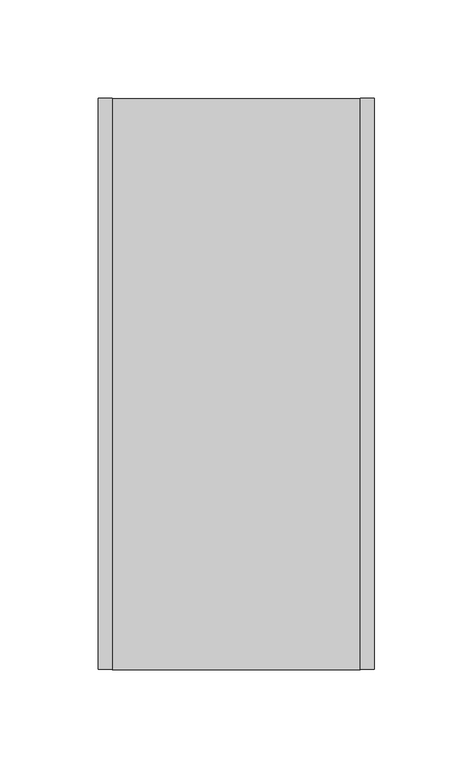
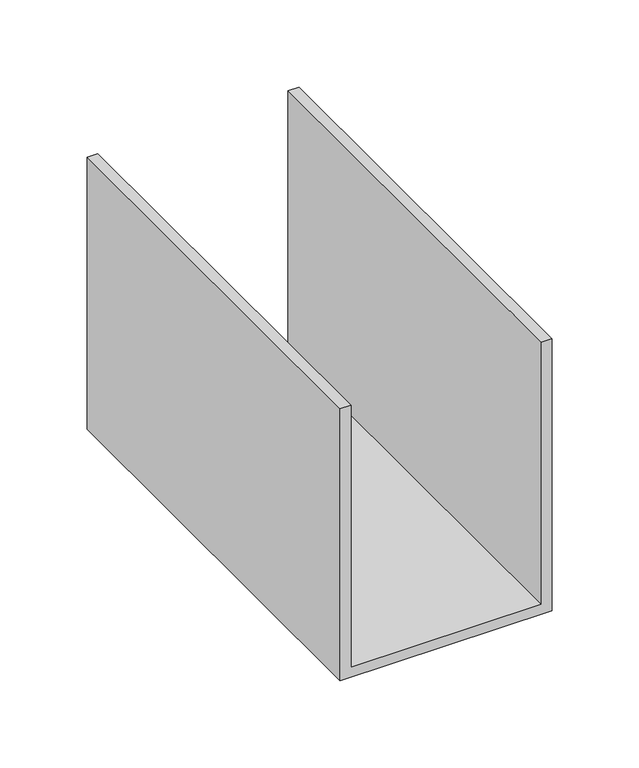
"""IFC4 building model written with IfcOpenShell, lengths in millimetres: proxy geometry."""

from ifc_helpers import new_model, si_unit, frame, origin, place, context, project, spatial, polyline, outline, extrude, source, transform, mapped, element, save


def generic_models_3694dd88(model_context):
    return source(origin(), model_context, "Body", "SweptSolid", [
        extrude(outline(polyline([(0.0, 140.0), (190.0, 140.0), (190.0, 133.0), (7.0, 133.0), (7.0, 7.0), (190.0, 7.0), (190.0, 0.0), (0.0, 0.0), (0.0, 140.0)])), frame((0.0, 0.0, 0.0), z_axis=(0.0, 1.0, 0.0), x_axis=(0.0, 0.0, 1.0)), (0.0, 0.0, 1.0), 290.0),
    ])


if __name__ == "__main__":
    model = new_model("IFC4")
    model_context = context("Model", 3, world=origin())
    ifc_project = project(units=[si_unit("LENGTHUNIT", "METRE", prefix="MILLI")], contexts=[model_context])
    site = spatial("IfcSite", under=ifc_project)
    building = spatial("IfcBuilding", under=site)
    placement = place(None, origin())
    generic_models_shape = generic_models_3694dd88(model_context)
    element("IfcBuildingElementProxy", 1, Name="Generic Models", at=placement, inside=building, context=model_context, shape_type="MappedRepresentation", body=[
        mapped(generic_models_shape, transform((0.0, 0.0, 0.0), x_axis=(1.0, 0.0, 0.0), y_axis=(0.0, 1.0, 0.0), z_axis=(0.0, 0.0, 1.0))),
    ])
    save(model, "model.ifc")
